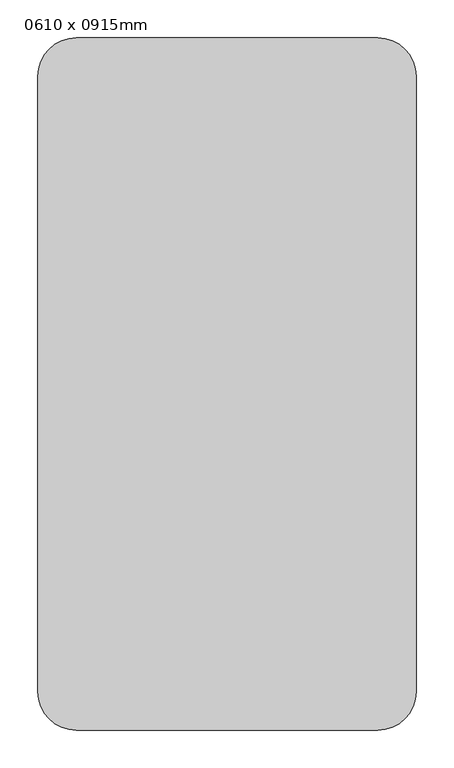
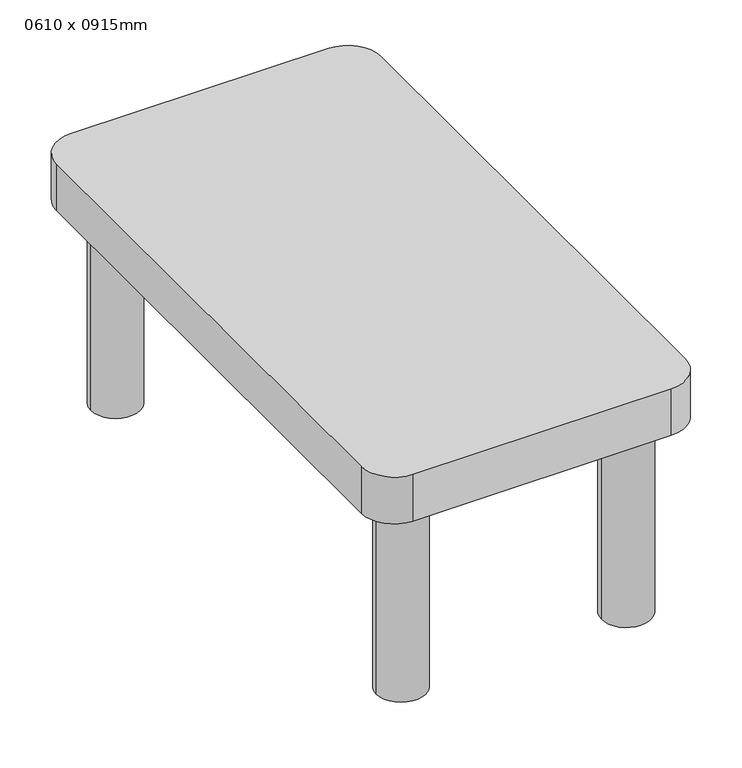
"""IFC4 building model written with IfcOpenShell, lengths in millimetres: furniture geometry, 0610 x 0915mm."""

from ifc_helpers import new_model, si_unit, point, frame, frame_2d, origin, origin_with_axes, place, context, project, spatial, polyline, circle_curve, trimmed, segment, composite_curve, outline, extrude, source, transform, mapped, element, save


def furniture_0610_x_0915mm_57f8bc93(model_context):
    return source(origin(), model_context, "Body", "SweptSolid", [
        extrude(outline(composite_curve([segment(polyline([(452.9336303, -305.1), (54.5336303, -305.1)]), True, "CONTINUOUS"), segment(trimmed(circle_curve(frame_2d((54.5336303, -254.3)), 50.8), [point((54.5336303, -305.1))], [point((3.7336303, -254.3))], False, "CARTESIAN"), True, "CONTINUOUS"), segment(polyline([(3.7336303, -254.3), (3.7336303, 559.1)]), True, "CONTINUOUS"), segment(trimmed(circle_curve(frame_2d((54.5336303, 559.1)), 50.8), [point((3.7336303, 559.1))], [point((54.5336303, 609.9))], False, "CARTESIAN"), True, "CONTINUOUS"), segment(polyline([(54.5336303, 609.9), (452.9336303, 609.9)]), True, "CONTINUOUS"), segment(trimmed(circle_curve(frame_2d((452.9336303, 559.1)), 50.8), [point((452.9336303, 609.9))], [point((503.7336303, 559.1))], False, "CARTESIAN"), True, "CONTINUOUS"), segment(polyline([(503.7336303, 559.1), (503.7336303, -254.3)]), True, "CONTINUOUS"), segment(trimmed(circle_curve(frame_2d((452.9336303, -254.3)), 50.8), [point((503.7336303, -254.3))], [point((452.9336303, -305.1))], False, "CARTESIAN"), True, "CONTINUOUS")], self_intersect=False)), frame((0.0, 0.0, 323.8), z_axis=(0.0, 0.0, 1.0), x_axis=(1.0, 0.0, 0.0)), (0.0, 0.0, 1.0), 76.2),
        extrude(outline(composite_curve([segment(trimmed(circle_curve(frame_2d((79.9336303, 533.7)), 38.1), [point((41.8336303, 533.7))], [point((118.0336303, 533.7))], False, "CARTESIAN"), True, "CONTINUOUS"), segment(trimmed(circle_curve(frame_2d((79.9336303, 533.7)), 38.1), [point((118.0336303, 533.7))], [point((41.8336303, 533.7))], False, "CARTESIAN"), True, "CONTINUOUS")], self_intersect=False)), origin_with_axes(), (0.0, 0.0, 1.0), 323.8),
        extrude(outline(composite_curve([segment(trimmed(circle_curve(frame_2d((79.9336303, -228.9)), 38.1), [point((41.8336303, -228.9))], [point((118.0336303, -228.9))], False, "CARTESIAN"), True, "CONTINUOUS"), segment(trimmed(circle_curve(frame_2d((79.9336303, -228.9)), 38.1), [point((118.0336303, -228.9))], [point((41.8336303, -228.9))], False, "CARTESIAN"), True, "CONTINUOUS")], self_intersect=False)), origin_with_axes(), (0.0, 0.0, 1.0), 323.8),
        extrude(outline(composite_curve([segment(trimmed(circle_curve(frame_2d((427.5336303, -228.9)), 38.1), [point((389.4336303, -228.9))], [point((465.6336303, -228.9))], False, "CARTESIAN"), True, "CONTINUOUS"), segment(trimmed(circle_curve(frame_2d((427.5336303, -228.9)), 38.1), [point((465.6336303, -228.9))], [point((389.4336303, -228.9))], False, "CARTESIAN"), True, "CONTINUOUS")], self_intersect=False)), origin_with_axes(), (0.0, 0.0, 1.0), 323.8),
        extrude(outline(composite_curve([segment(trimmed(circle_curve(frame_2d((427.5336303, 533.7)), 38.1), [point((389.4336303, 533.7))], [point((465.6336303, 533.7))], False, "CARTESIAN"), True, "CONTINUOUS"), segment(trimmed(circle_curve(frame_2d((427.5336303, 533.7)), 38.1), [point((465.6336303, 533.7))], [point((389.4336303, 533.7))], False, "CARTESIAN"), True, "CONTINUOUS")], self_intersect=False)), origin_with_axes(), (0.0, 0.0, 1.0), 323.8),
    ])


if __name__ == "__main__":
    model = new_model("IFC4")
    model_context = context("Model", 3, world=origin())
    ifc_project = project(units=[si_unit("LENGTHUNIT", "METRE", prefix="MILLI")], contexts=[model_context])
    site = spatial("IfcSite", under=ifc_project)
    building = spatial("IfcBuilding", under=site)
    placement = place(None, origin())
    furniture_0610_x_0915mm_shape = furniture_0610_x_0915mm_57f8bc93(model_context)
    element("IfcFurniture", 1, ObjectType="0610 x 0915mm", at=placement, inside=building, context=model_context, shape_type="MappedRepresentation", body=[
        mapped(furniture_0610_x_0915mm_shape, transform((0.0, 0.0, 0.0), x_axis=(1.0, 0.0, 0.0), y_axis=(0.0, 1.0, 0.0), z_axis=(0.0, 0.0, 1.0))),
    ])
    save(model, "model.ifc")
